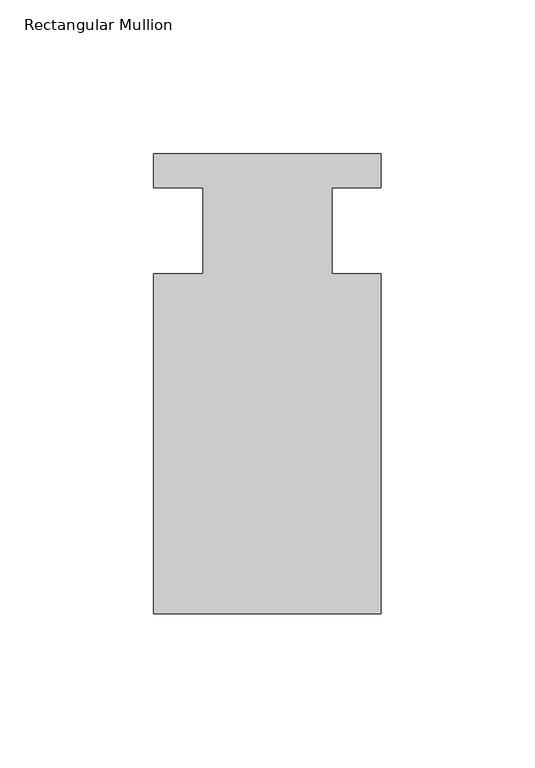
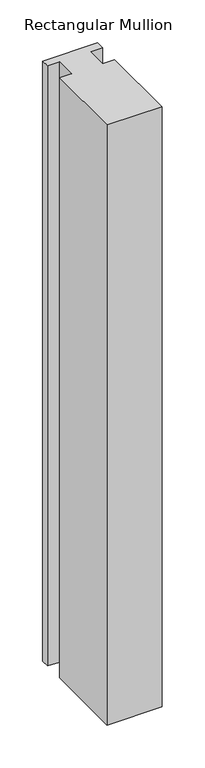
"""IFC4 building model written with IfcOpenShell, lengths in millimetres: member geometry, Rectangular Mullion."""

from ifc_helpers import new_model, si_unit, frame, origin, place, context, project, spatial, polyline, outline, extrude, source, transform, mapped, element, save


def rectangular_mullion_44f5119f(model_context):
    return source(origin(), model_context, "Body", "SweptSolid", [
        extrude(outline(polyline([(-20.9800745, -13.9998907), (-20.9800745, 14.0), (-37.0, 14.0), (-37.0, 25.0), (36.9800745, 25.0), (36.9800745, 14.0), (20.9800745, 14.0), (20.9800745, -13.9998907), (37.0, -13.9998907), (37.0, -124.5), (-37.0, -124.5), (-37.0, -13.9998907), (-20.9800745, -13.9998907)])), frame((0.0, 0.0, -853.1462996), z_axis=(0.0, 0.0, 1.0), x_axis=(1.0, 0.0, 0.0)), (0.0, 0.0, 1.0), 853.1462996),
    ])


if __name__ == "__main__":
    model = new_model("IFC4")
    model_context = context("Model", 3, world=origin())
    ifc_project = project(units=[si_unit("LENGTHUNIT", "METRE", prefix="MILLI")], contexts=[model_context])
    site = spatial("IfcSite", under=ifc_project)
    building = spatial("IfcBuilding", under=site)
    placement = place(None, origin())
    rectangular_mullion_shape = rectangular_mullion_44f5119f(model_context)
    element("IfcMember", 1, ObjectType="Rectangular Mullion", at=placement, inside=building, context=model_context, shape_type="MappedRepresentation", body=[
        mapped(rectangular_mullion_shape, transform((0.0, 0.0, 0.0), x_axis=(1.0, 0.0, 0.0), y_axis=(0.0, 1.0, 0.0), z_axis=(0.0, 0.0, 1.0))),
    ])
    save(model, "model.ifc")
